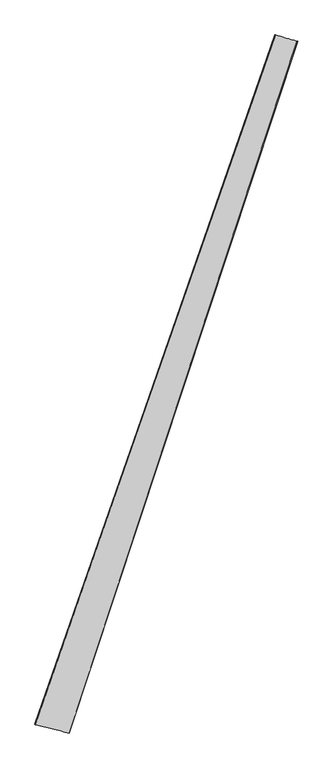
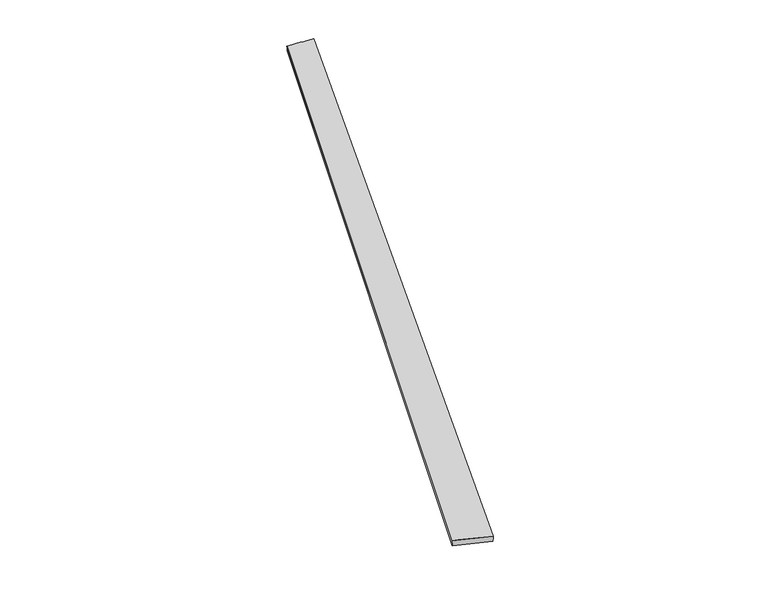
"""IFC4 building model written with IfcOpenShell, lengths in millimetres: proxy geometry."""

from ifc_helpers import new_model, si_unit, origin, place, context, project, spatial, source, transform, mapped, element, save
from ifc_brep_helpers import spline_surface, advanced_brep


def generic_models_743d951d(model_context):
    return source(origin(), model_context, "Body", "AdvancedBrep", [
        advanced_brep(
        [(-673.5103004, -1706.2260944, 6.0686026), (-671.3821771, -1706.8509939, 35.9865001), (664.4494227, 2128.7861031, 20.6687379), (667.0122719, 2127.7710248, -9.2043507), (-482.6672702, -1754.5875006, 23.8812886), (785.6403346, 2093.9742043, 38.7589491), (-484.1148274, -1753.9886717, -6.0777832), (790.6128559, 2092.4437413, 9.2135313)],
        [
            (0, 1),
            (1, 2),
            (2, 3),
            (3, 0),
            (1, 4),
            (4, 5),
            (5, 2),
            (4, 6),
            (6, 7),
            (7, 5),
            (6, 0),
            (3, 7),
        ],
        [
            spline_surface(1, 1, [[(-673.5103004, -1706.2260944, 6.0686026), (667.0122719, 2127.7710248, -9.2043507)], [(-671.3821771, -1706.8509939, 35.9865001), (664.4494227, 2128.7861031, 20.6687379)]], [2, 2], [2, 2], [0.0, 1.0], [0.0, 1.0]),
            spline_surface(1, 1, [[(-671.3821771, -1706.8509939, 35.9865001), (664.4494227, 2128.7861031, 20.6687379)], [(-482.6672702, -1754.5875006, 23.8812886), (785.6403346, 2093.9742043, 38.7589491)]], [2, 2], [2, 2], [0.0, 1.0], [0.0, 1.0]),
            spline_surface(1, 1, [[(-482.6672702, -1754.5875006, 23.8812886), (785.6403346, 2093.9742043, 38.7589491)], [(-484.1148274, -1753.9886717, -6.0777832), (790.6128559, 2092.4437413, 9.2135313)]], [2, 2], [2, 2], [0.0, 1.0], [0.0, 1.0]),
            spline_surface(1, 1, [[(-484.1148274, -1753.9886717, -6.0777832), (790.6128559, 2092.4437413, 9.2135313)], [(-673.5103004, -1706.2260944, 6.0686026), (667.0122719, 2127.7710248, -9.2043507)]], [2, 2], [2, 2], [0.0, 1.0], [0.0, 1.0]),
            spline_surface(1, 1, [[(664.4494227, 2128.7861031, 20.6687379), (667.0122719, 2127.7710248, -9.2043507)], [(785.6403346, 2093.9742043, 38.7589491), (790.6128559, 2092.4437413, 9.2135313)]], [2, 2], [2, 2], [0.0, 1.0], [0.0, 1.0]),
            spline_surface(1, 1, [[(-484.1148274, -1753.9886717, -6.0777832), (-673.5103004, -1706.2260944, 6.0686026)], [(-482.6672702, -1754.5875006, 23.8812886), (-671.3821771, -1706.8509939, 35.9865001)]], [2, 2], [2, 2], [0.0, 1.0], [0.0, 1.0]),
        ],
        [
            (0, [[1, 2, 3, 4]]),
            (1, [[5, 6, 7, -2]]),
            (2, [[8, 9, 10, -6]]),
            (3, [[11, -4, 12, -9]]),
            (4, [[-3, -7, -10, -12]]),
            (5, [[-11, -8, -5, -1]]),
        ],
    ),
    ])


if __name__ == "__main__":
    model = new_model("IFC4")
    model_context = context("Model", 3, world=origin())
    ifc_project = project(units=[si_unit("LENGTHUNIT", "METRE", prefix="MILLI")], contexts=[model_context])
    site = spatial("IfcSite", under=ifc_project)
    building = spatial("IfcBuilding", under=site)
    placement = place(None, origin())
    generic_models_shape = generic_models_743d951d(model_context)
    element("IfcBuildingElementProxy", 1, Name="Generic Models", at=placement, inside=building, context=model_context, shape_type="MappedRepresentation", body=[
        mapped(generic_models_shape, transform((0.0, 0.0, 0.0), x_axis=(1.0, 0.0, 0.0), y_axis=(0.0, 1.0, 0.0), z_axis=(0.0, 0.0, 1.0))),
    ])
    save(model, "model.ifc")
